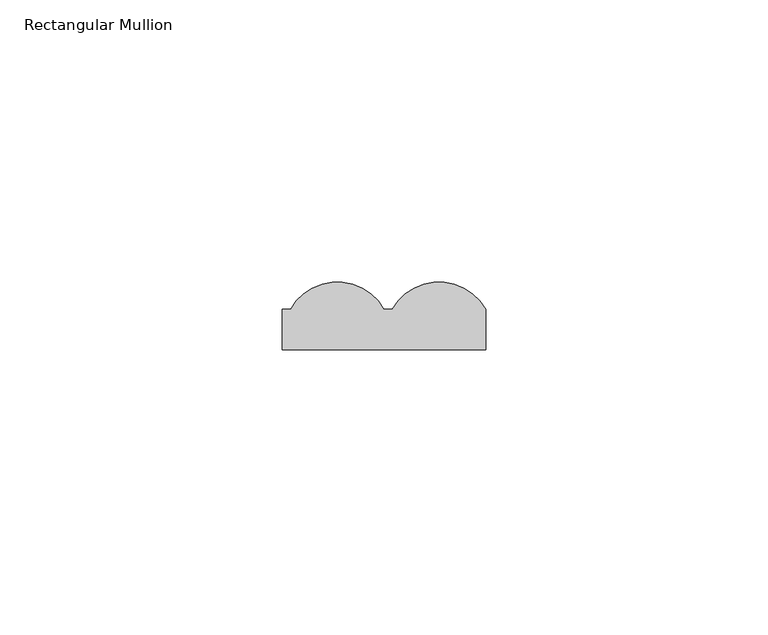
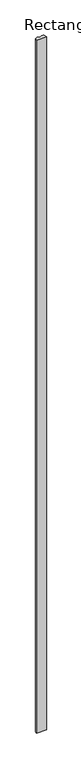
"""IFC4 building model written with IfcOpenShell, lengths in millimetres: member geometry, Rectangular Mullion."""

import ifcopenshell
import ifcopenshell.guid

model = None  # the IFC model being written
_history = None  # IfcOwnerHistory: only IFC2X3 demands one
_inside = {}  # id of a spatial element -> (the spatial element, [elements in it])
_under = {}  # id of a project, library or spatial element -> (it, [spatial elements below it])
_declared = {}  # id of a project -> (the project, [libraries it declares])
_typed = {}  # id of a type object -> (the type object, [elements of that type])
_made_of = {}  # id of a material, layer set ... -> (it, [elements and type objects made of it])


def new_model(schema):
    """Start an empty IFC model of exactly this schema.

    Asked for "IFC4X3", IfcOpenShell would pick the latest addendum, in which some entities
    have other attributes; the version numbers below select the first issue.
    IFC2X3 requires an IfcOwnerHistory on every rooted entity: one is made here for all.
    """
    global model, _history
    if schema == "IFC4X3":
        model = ifcopenshell.file(schema_version=(4, 3, 0, 0))
    else:
        model = ifcopenshell.file(schema=schema)
    _inside.clear()
    _under.clear()
    _declared.clear()
    _typed.clear()
    _made_of.clear()
    _history = None
    if model.schema == "IFC2X3":
        org = make("IfcOrganization", Name="unknown")
        user = make(
            "IfcPersonAndOrganization",
            ThePerson=make("IfcPerson", FamilyName="unknown"),
            TheOrganization=org,
        )
        app = make(
            "IfcApplication",
            ApplicationDeveloper=org,
            Version="unknown",
            ApplicationFullName="unknown",
            ApplicationIdentifier="unknown",
        )
        _history = make(
            "IfcOwnerHistory",
            OwningUser=user,
            OwningApplication=app,
            ChangeAction="ADDED",
            CreationDate=0,
        )
    return model


def make(cls, **values):
    """One entity of the class cls with the attributes given. An attribute that is None is left unset."""
    return model.create_entity(
        cls, **{name: value for name, value in values.items() if value is not None}
    )


def rooted(cls, **values):
    """An entity with a GlobalId (a new one), such as an element, a storey or a relation."""
    return make(cls, GlobalId=ifcopenshell.guid.new(), OwnerHistory=_history, **values)


def si_unit(unit_type, name, prefix=None):
    """IfcSIUnit, for example si_unit("LENGTHUNIT", "METRE", prefix="MILLI")."""
    return make("IfcSIUnit", UnitType=unit_type, Prefix=prefix, Name=name)


def assignment(units):
    """IfcUnitAssignment: the units of a project."""
    return None if units is None else make("IfcUnitAssignment", Units=units)


def point(xyz):
    """IfcCartesianPoint."""
    return None if xyz is None else make("IfcCartesianPoint", Coordinates=xyz)


def direction(xyz):
    """IfcDirection."""
    return None if xyz is None else make("IfcDirection", DirectionRatios=xyz)


def frame(location, z_axis=None, x_axis=None):
    """IfcAxis2Placement3D, a coordinate frame: its origin and axes. An axis left out is left unset."""
    return make(
        "IfcAxis2Placement3D",
        Location=point(location),
        Axis=direction(z_axis),
        RefDirection=direction(x_axis),
    )


def frame_2d(location, x_axis=None):
    """IfcAxis2Placement2D, a coordinate frame in the plane: its origin and x axis."""
    return make(
        "IfcAxis2Placement2D", Location=point(location), RefDirection=direction(x_axis)
    )


def origin():
    """The frame at (0, 0, 0) with its axes left unset."""
    return frame((0.0, 0.0, 0.0))


def place(relative_to, where):
    """IfcLocalPlacement: puts the frame where relative to a parent placement (None: the world)."""
    return make(
        "IfcLocalPlacement", PlacementRelTo=relative_to, RelativePlacement=where
    )


def context(
    kind, dimensions, precision=None, world=None, true_north=None, identifier=None
):
    """IfcGeometricRepresentationContext, for example the 3D "Model" context."""
    return make(
        "IfcGeometricRepresentationContext",
        ContextIdentifier=identifier,
        ContextType=kind,
        CoordinateSpaceDimension=dimensions,
        Precision=precision,
        WorldCoordinateSystem=world,
        TrueNorth=true_north,
    )


def project(units=None, contexts=None):
    """IfcProject with its units and contexts."""
    return rooted(
        "IfcProject",
        Name="project",
        RepresentationContexts=contexts,
        UnitsInContext=assignment(units),
    )


def spatial(cls, under=None, at=None, **own):
    """A site, building, storey or space (cls), placed at a placement, below another one or the project."""
    s = rooted(cls, ObjectPlacement=at, **own)
    if under is not None:
        _under.setdefault(under.id(), (under, []))[1].append(s)
    return s


def polyline(points):
    """IfcPolyline through the points."""
    return make("IfcPolyline", Points=[point(p) for p in points])


def circle_curve(where, radius):
    """IfcCircle in the frame where."""
    return make("IfcCircle", Position=where, Radius=radius)


def trimmed(basis, trim1, trim2, sense, master):
    """IfcTrimmedCurve: the piece of a basis curve between two trims."""
    return make(
        "IfcTrimmedCurve",
        BasisCurve=basis,
        Trim1=trim1,
        Trim2=trim2,
        SenseAgreement=sense,
        MasterRepresentation=master,
    )


def segment(curve, same_sense, transition):
    """IfcCompositeCurveSegment."""
    return make(
        "IfcCompositeCurveSegment",
        Transition=transition,
        SameSense=same_sense,
        ParentCurve=curve,
    )


def composite_curve(segments, self_intersect=None):
    """IfcCompositeCurve: segments joined end to end."""
    return make("IfcCompositeCurve", Segments=segments, SelfIntersect=self_intersect)


def outline(outer, holes=None, kind="AREA"):
    """IfcArbitraryClosedProfileDef: a profile drawn as a closed curve; with holes, ...WithVoids."""
    if holes is None:
        return make("IfcArbitraryClosedProfileDef", ProfileType=kind, OuterCurve=outer)
    return make(
        "IfcArbitraryProfileDefWithVoids",
        ProfileType=kind,
        OuterCurve=outer,
        InnerCurves=holes,
    )


def extrude(swept, where, along, depth):
    """IfcExtrudedAreaSolid: the profile swept, set in the frame where, extruded along a direction by depth."""
    return make(
        "IfcExtrudedAreaSolid",
        SweptArea=swept,
        Position=where,
        ExtrudedDirection=direction(along),
        Depth=depth,
    )


def shape(context_of_items, identifier, shape_type, items):
    """IfcShapeRepresentation: the items that make up one representation, for example the "Body"."""
    return make(
        "IfcShapeRepresentation",
        ContextOfItems=context_of_items,
        RepresentationIdentifier=identifier,
        RepresentationType=shape_type,
        Items=items,
    )


def source(mapping_origin, context_of_items, identifier, shape_type, items):
    """IfcRepresentationMap: a shape defined once, which mapped items show again and again."""
    return make(
        "IfcRepresentationMap",
        MappingOrigin=mapping_origin,
        MappedRepresentation=shape(context_of_items, identifier, shape_type, items),
    )


def transform(
    local_origin,
    x_axis=None,
    y_axis=None,
    z_axis=None,
    scale=None,
    scale2=None,
    scale3=None,
    uniform=True,
):
    """IfcCartesianTransformationOperator3D, or its non-uniform kind. x_axis, y_axis, z_axis: its Axis1, 2, 3."""
    if uniform:
        return make(
            "IfcCartesianTransformationOperator3D",
            Axis1=direction(x_axis),
            Axis2=direction(y_axis),
            LocalOrigin=point(local_origin),
            Scale=scale,
            Axis3=direction(z_axis),
        )
    return make(
        "IfcCartesianTransformationOperator3DnonUniform",
        Axis1=direction(x_axis),
        Axis2=direction(y_axis),
        LocalOrigin=point(local_origin),
        Scale=scale,
        Axis3=direction(z_axis),
        Scale2=scale2,
        Scale3=scale3,
    )


def mapped(mapping_source, mapping_target):
    """IfcMappedItem: shows the shape of a source again, moved by a transform."""
    return make(
        "IfcMappedItem", MappingSource=mapping_source, MappingTarget=mapping_target
    )


def made_of(thing, what):
    """Note that an element or type object is made of a material, layer set ...; save() writes the relation."""
    if what is not None:
        _made_of.setdefault(what.id(), (what, []))[1].append(thing)
    return thing


def element(
    cls,
    number,
    at=None,
    inside=None,
    cuts=None,
    type_object=None,
    material=None,
    context=None,
    identifier="Body",
    shape_type=None,
    held_by="IfcProductDefinitionShape",
    body=None,
    shapes=None,
    **own,
):
    """One element of the class cls, such as IfcWall. Its Tag is "e" and its number.

    at: its placement. inside: the storey or other place that contains it. cuts: it is an
    opening in that element (IfcRelVoidsElement). A single representation is given by context,
    identifier, shape_type and body (its items); several are given by shapes. held_by: the class
    of the entity that holds the representations. save() writes the other relations.
    """
    e = rooted(cls, Tag="e%d" % number, ObjectPlacement=at, **own)
    if body is not None:
        shapes = [shape(context, identifier, shape_type, body)]
    if shapes is not None:
        e.Representation = make(held_by, Representations=shapes)
    if inside is not None:
        _inside.setdefault(inside.id(), (inside, []))[1].append(e)
    if cuts is not None:
        rooted(
            "IfcRelVoidsElement", RelatingBuildingElement=cuts, RelatedOpeningElement=e
        )
    if type_object is not None:
        _typed.setdefault(type_object.id(), (type_object, []))[1].append(e)
    return made_of(e, material)


def aggregate(whole, parts):
    """IfcRelAggregates: a whole, such as a stair, and the parts it consists of."""
    return rooted("IfcRelAggregates", RelatingObject=whole, RelatedObjects=parts)


def save(model, path):
    """Write the relations noted so far, then the file.

    IfcRelAggregates (storeys below a building ...), IfcRelContainedInSpatialStructure (elements
    in a storey), IfcRelDefinesByType, IfcRelAssociatesMaterial and IfcRelDeclares: one each for
    every whole, place, type object, material and project.
    """
    for whole, parts in _under.values():
        aggregate(whole, parts)
    for where, things in _inside.values():
        rooted(
            "IfcRelContainedInSpatialStructure",
            RelatedElements=things,
            RelatingStructure=where,
        )
    for kind, things in _typed.values():
        rooted("IfcRelDefinesByType", RelatedObjects=things, RelatingType=kind)
    for what, things in _made_of.values():
        rooted("IfcRelAssociatesMaterial", RelatedObjects=things, RelatingMaterial=what)
    for by, libraries in _declared.values():
        rooted("IfcRelDeclares", RelatingContext=by, RelatedDefinitions=libraries)
    model.write(path)


def rectangular_mullion_74a2db03(model_context):
    return source(origin(), model_context, "Body", "SweptSolid", [
        extrude(outline(composite_curve([segment(polyline([(0.0, 7.1682556), (1.4522038, 7.1682556)]), True, "CONTINUOUS"), segment(trimmed(circle_curve(frame_2d((9.7261019, 2.5)), 9.5), [point((1.4522038, 7.1682556))], [point((18.0, 7.1682556))], False, "CARTESIAN"), True, "CONTINUOUS"), segment(polyline([(18.0, 7.1682556), (18.0, 0.0), (-18.0, 0.0), (-18.0, 7.1682556), (-16.5477962, 7.1682556)]), True, "CONTINUOUS"), segment(trimmed(circle_curve(frame_2d((-8.2738981, 2.5)), 9.5), [point((-16.5477962, 7.1682556))], [point((0.0, 7.1682556))], False, "CARTESIAN"), True, "CONTINUOUS")], self_intersect=False)), frame((0.0, 0.0, -2700.0), z_axis=(0.0, 0.0, 1.0), x_axis=(1.0, 0.0, 0.0)), (0.0, 0.0, 1.0), 2700.0),
    ])


if __name__ == "__main__":
    model = new_model("IFC4")
    model_context = context("Model", 3, world=origin())
    ifc_project = project(units=[si_unit("LENGTHUNIT", "METRE", prefix="MILLI")], contexts=[model_context])
    site = spatial("IfcSite", under=ifc_project)
    building = spatial("IfcBuilding", under=site)
    placement = place(None, origin())
    rectangular_mullion_shape = rectangular_mullion_74a2db03(model_context)
    element("IfcMember", 1, ObjectType="Rectangular Mullion", at=placement, inside=building, context=model_context, shape_type="MappedRepresentation", body=[
        mapped(rectangular_mullion_shape, transform((0.0, 0.0, 0.0), x_axis=(1.0, 0.0, 0.0), y_axis=(0.0, 1.0, 0.0), z_axis=(0.0, 0.0, 1.0))),
    ])
    save(model, "model.ifc")
